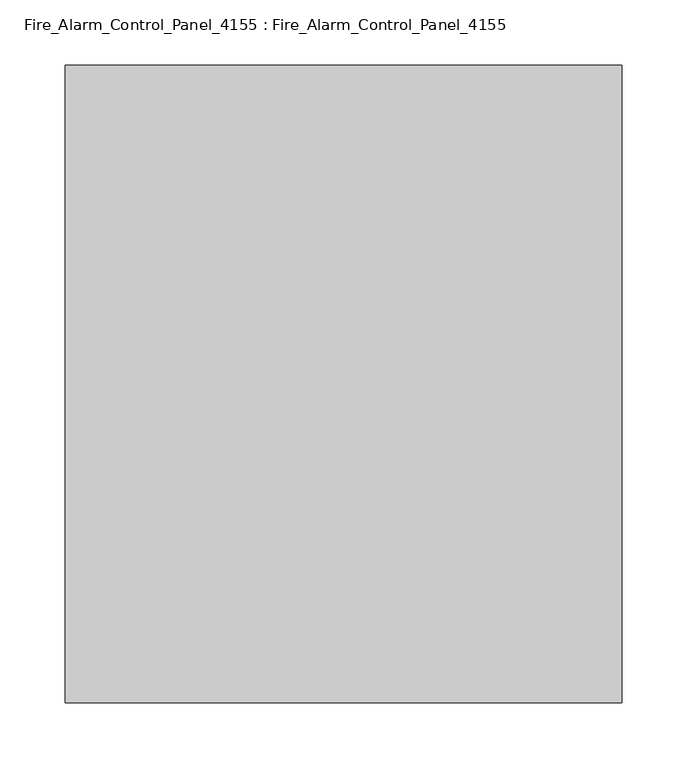
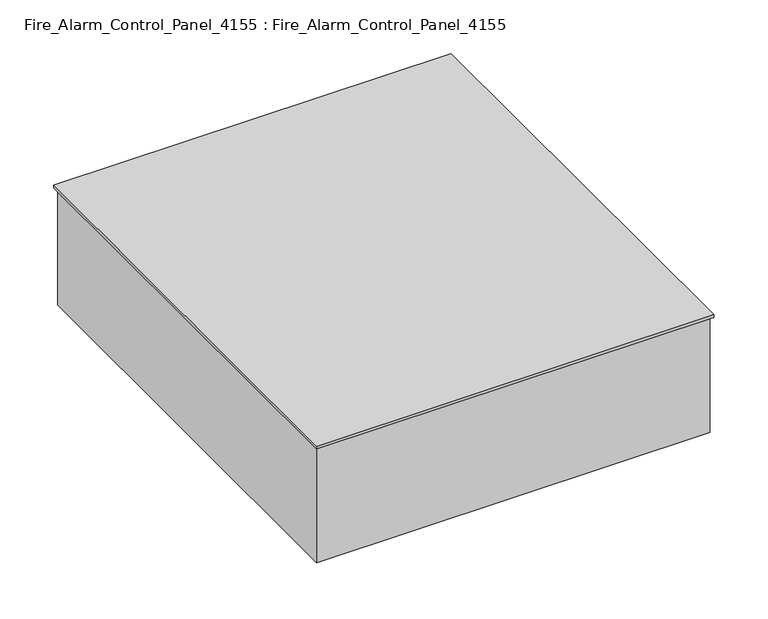
"""IFC4 building model written with IfcOpenShell, lengths in millimetres: proxy geometry, Fire_Alarm_Control_Panel_4155 : Fire_Alarm_Control_Panel_4155."""

from ifc_helpers import new_model, si_unit, frame, origin, origin_with_axes, place, context, project, spatial, polyline, outline, extrude, source, transform, mapped, element, save


def fire_alarm_control_panel_4155_fire_alarm_control_panel_4155_218c56f5(model_context):
    return source(origin(), model_context, "Body", "SweptSolid", [
        extrude(outline(polyline([(213.614, 244.602), (213.614, -244.602), (-213.614, -244.602), (-213.614, 244.602), (213.614, 244.602)])), frame((0.0, 0.0, 132.0601562), z_axis=(0.0, 0.0, 1.0), x_axis=(1.0, 0.0, 0.0)), (0.0, 0.0, 1.0), 3.0757812),
        extrude(outline(polyline([(211.455, 241.3), (211.455, -241.3), (-211.455, -241.3), (-211.455, 241.3), (211.455, 241.3)])), origin_with_axes(), (0.0, 0.0, 1.0), 132.0601563),
    ])


if __name__ == "__main__":
    model = new_model("IFC4")
    model_context = context("Model", 3, world=origin())
    ifc_project = project(units=[si_unit("LENGTHUNIT", "METRE", prefix="MILLI")], contexts=[model_context])
    site = spatial("IfcSite", under=ifc_project)
    building = spatial("IfcBuilding", under=site)
    placement = place(None, origin())
    fire_alarm_control_panel_4155_fire_alarm_control_panel_4155_shape = fire_alarm_control_panel_4155_fire_alarm_control_panel_4155_218c56f5(model_context)
    element("IfcBuildingElementProxy", 1, Name="Fire_Alarm_Control_Panel_4155 : Fire_Alarm_Control_Panel_4155", ObjectType="Fire_Alarm_Control_Panel_4155 : Fire_Alarm_Control_Panel_4155", at=placement, inside=building, context=model_context, shape_type="MappedRepresentation", body=[
        mapped(fire_alarm_control_panel_4155_fire_alarm_control_panel_4155_shape, transform((0.0, 0.0, 0.0), x_axis=(1.0, 0.0, 0.0), y_axis=(0.0, 1.0, 0.0), z_axis=(0.0, 0.0, 1.0))),
    ])
    save(model, "model.ifc")
